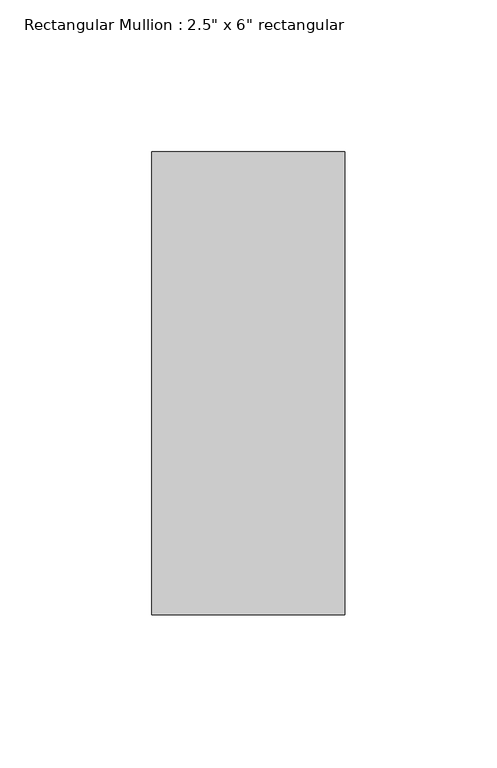
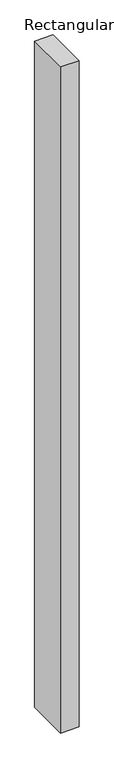
"""IFC4 building model written with IfcOpenShell, lengths in millimetres: member geometry."""

from ifc_helpers import new_model, si_unit, frame, origin, place, context, project, spatial, polyline, outline, extrude, source, transform, mapped, element, save


def member_2cd8bc4f(model_context):
    return source(origin(), model_context, "Body", "SweptSolid", [
        extrude(outline(polyline([(0.0, 76.2), (0.0, -76.2), (-63.5, -76.2), (-63.5, 76.2), (0.0, 76.2)])), frame((0.0, 0.0, -2406.65), z_axis=(0.0, 0.0, 1.0), x_axis=(1.0, 0.0, 0.0)), (0.0, 0.0, 1.0), 2406.65),
    ])


if __name__ == "__main__":
    model = new_model("IFC4")
    model_context = context("Model", 3, world=origin())
    ifc_project = project(units=[si_unit("LENGTHUNIT", "METRE", prefix="MILLI")], contexts=[model_context])
    site = spatial("IfcSite", under=ifc_project)
    building = spatial("IfcBuilding", under=site)
    placement = place(None, origin())
    member_shape = member_2cd8bc4f(model_context)
    element("IfcMember", 1, ObjectType="Rectangular Mullion : 2.5\" x 6\" rectangular", at=placement, inside=building, context=model_context, shape_type="MappedRepresentation", body=[
        mapped(member_shape, transform((0.0, 0.0, 0.0), x_axis=(1.0, 0.0, 0.0), y_axis=(0.0, 1.0, 0.0), z_axis=(0.0, 0.0, 1.0))),
    ])
    save(model, "model.ifc")
